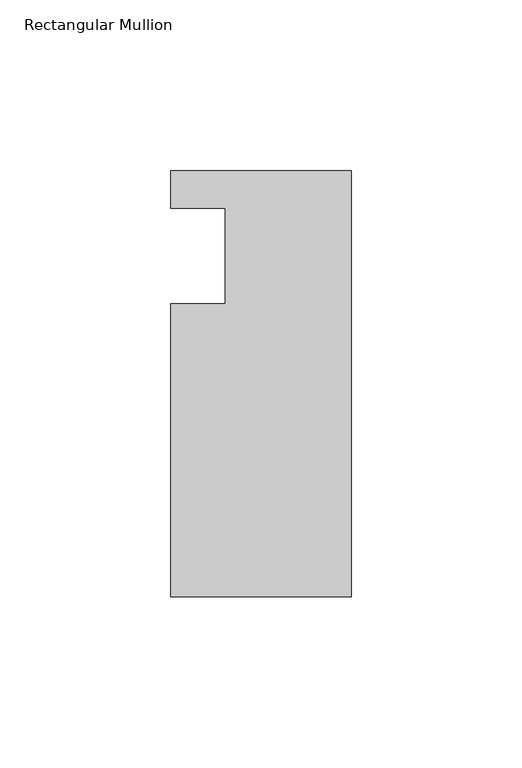
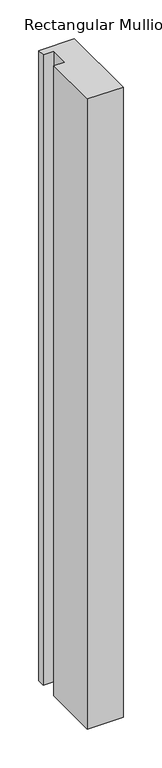
"""IFC4 building model written with IfcOpenShell, lengths in millimetres: member geometry, Rectangular Mullion."""

from ifc_helpers import new_model, si_unit, frame, origin, place, context, project, spatial, polyline, outline, extrude, source, transform, mapped, element, save


def rectangular_mullion_b5e82a33(model_context):
    return source(origin(), model_context, "Body", "SweptSolid", [
        extrude(outline(polyline([(0.0, 25.0), (0.0, -100.0), (-53.0, -100.0), (-53.0, -13.9998907), (-37.0, -13.9998907), (-37.0, 14.0), (-53.0, 14.0), (-53.0, 25.0), (0.0, 25.0)])), frame((0.0, 0.0, -990.6595328), z_axis=(0.0, 0.0, 1.0), x_axis=(1.0, 0.0, 0.0)), (0.0, 0.0, 1.0), 990.6595328),
    ])


if __name__ == "__main__":
    model = new_model("IFC4")
    model_context = context("Model", 3, world=origin())
    ifc_project = project(units=[si_unit("LENGTHUNIT", "METRE", prefix="MILLI")], contexts=[model_context])
    site = spatial("IfcSite", under=ifc_project)
    building = spatial("IfcBuilding", under=site)
    placement = place(None, origin())
    rectangular_mullion_shape = rectangular_mullion_b5e82a33(model_context)
    element("IfcMember", 1, ObjectType="Rectangular Mullion", at=placement, inside=building, context=model_context, shape_type="MappedRepresentation", body=[
        mapped(rectangular_mullion_shape, transform((0.0, 0.0, 0.0), x_axis=(1.0, 0.0, 0.0), y_axis=(0.0, 1.0, 0.0), z_axis=(0.0, 0.0, 1.0))),
    ])
    save(model, "model.ifc")
